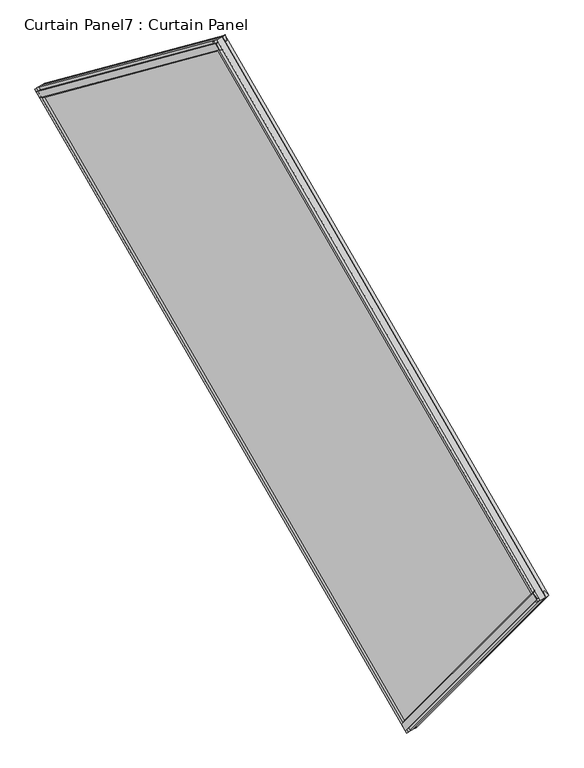
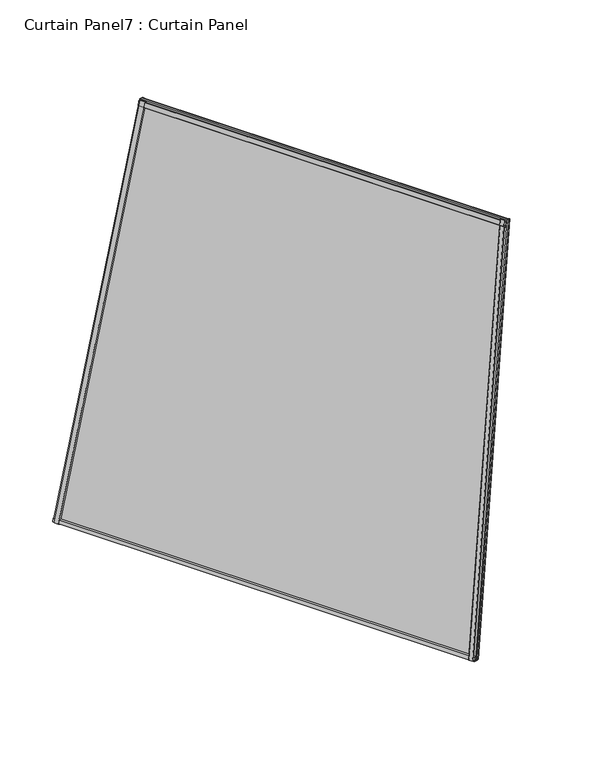
"""IFC4 building model written with IfcOpenShell, lengths in millimetres: plate geometry, Curtain Panel7 : Curtain Panel."""

import ifcopenshell
import ifcopenshell.guid

model = None  # the IFC model being written
_history = None  # IfcOwnerHistory: only IFC2X3 demands one
_inside = {}  # id of a spatial element -> (the spatial element, [elements in it])
_under = {}  # id of a project, library or spatial element -> (it, [spatial elements below it])
_declared = {}  # id of a project -> (the project, [libraries it declares])
_typed = {}  # id of a type object -> (the type object, [elements of that type])
_made_of = {}  # id of a material, layer set ... -> (it, [elements and type objects made of it])


def new_model(schema):
    """Start an empty IFC model of exactly this schema.

    Asked for "IFC4X3", IfcOpenShell would pick the latest addendum, in which some entities
    have other attributes; the version numbers below select the first issue.
    IFC2X3 requires an IfcOwnerHistory on every rooted entity: one is made here for all.
    """
    global model, _history
    if schema == "IFC4X3":
        model = ifcopenshell.file(schema_version=(4, 3, 0, 0))
    else:
        model = ifcopenshell.file(schema=schema)
    _inside.clear()
    _under.clear()
    _declared.clear()
    _typed.clear()
    _made_of.clear()
    _history = None
    if model.schema == "IFC2X3":
        org = make("IfcOrganization", Name="unknown")
        user = make(
            "IfcPersonAndOrganization",
            ThePerson=make("IfcPerson", FamilyName="unknown"),
            TheOrganization=org,
        )
        app = make(
            "IfcApplication",
            ApplicationDeveloper=org,
            Version="unknown",
            ApplicationFullName="unknown",
            ApplicationIdentifier="unknown",
        )
        _history = make(
            "IfcOwnerHistory",
            OwningUser=user,
            OwningApplication=app,
            ChangeAction="ADDED",
            CreationDate=0,
        )
    return model


def make(cls, **values):
    """One entity of the class cls with the attributes given. An attribute that is None is left unset."""
    return model.create_entity(
        cls, **{name: value for name, value in values.items() if value is not None}
    )


def rooted(cls, **values):
    """An entity with a GlobalId (a new one), such as an element, a storey or a relation."""
    return make(cls, GlobalId=ifcopenshell.guid.new(), OwnerHistory=_history, **values)


def si_unit(unit_type, name, prefix=None):
    """IfcSIUnit, for example si_unit("LENGTHUNIT", "METRE", prefix="MILLI")."""
    return make("IfcSIUnit", UnitType=unit_type, Prefix=prefix, Name=name)


def assignment(units):
    """IfcUnitAssignment: the units of a project."""
    return None if units is None else make("IfcUnitAssignment", Units=units)


def point(xyz):
    """IfcCartesianPoint."""
    return None if xyz is None else make("IfcCartesianPoint", Coordinates=xyz)


def direction(xyz):
    """IfcDirection."""
    return None if xyz is None else make("IfcDirection", DirectionRatios=xyz)


def frame(location, z_axis=None, x_axis=None):
    """IfcAxis2Placement3D, a coordinate frame: its origin and axes. An axis left out is left unset."""
    return make(
        "IfcAxis2Placement3D",
        Location=point(location),
        Axis=direction(z_axis),
        RefDirection=direction(x_axis),
    )


def origin():
    """The frame at (0, 0, 0) with its axes left unset."""
    return frame((0.0, 0.0, 0.0))


def place(relative_to, where):
    """IfcLocalPlacement: puts the frame where relative to a parent placement (None: the world)."""
    return make(
        "IfcLocalPlacement", PlacementRelTo=relative_to, RelativePlacement=where
    )


def context(
    kind, dimensions, precision=None, world=None, true_north=None, identifier=None
):
    """IfcGeometricRepresentationContext, for example the 3D "Model" context."""
    return make(
        "IfcGeometricRepresentationContext",
        ContextIdentifier=identifier,
        ContextType=kind,
        CoordinateSpaceDimension=dimensions,
        Precision=precision,
        WorldCoordinateSystem=world,
        TrueNorth=true_north,
    )


def project(units=None, contexts=None):
    """IfcProject with its units and contexts."""
    return rooted(
        "IfcProject",
        Name="project",
        RepresentationContexts=contexts,
        UnitsInContext=assignment(units),
    )


def spatial(cls, under=None, at=None, **own):
    """A site, building, storey or space (cls), placed at a placement, below another one or the project."""
    s = rooted(cls, ObjectPlacement=at, **own)
    if under is not None:
        _under.setdefault(under.id(), (under, []))[1].append(s)
    return s


def polyline(points):
    """IfcPolyline through the points."""
    return make("IfcPolyline", Points=[point(p) for p in points])


def outline(outer, holes=None, kind="AREA"):
    """IfcArbitraryClosedProfileDef: a profile drawn as a closed curve; with holes, ...WithVoids."""
    if holes is None:
        return make("IfcArbitraryClosedProfileDef", ProfileType=kind, OuterCurve=outer)
    return make(
        "IfcArbitraryProfileDefWithVoids",
        ProfileType=kind,
        OuterCurve=outer,
        InnerCurves=holes,
    )


def extrude(swept, where, along, depth):
    """IfcExtrudedAreaSolid: the profile swept, set in the frame where, extruded along a direction by depth."""
    return make(
        "IfcExtrudedAreaSolid",
        SweptArea=swept,
        Position=where,
        ExtrudedDirection=direction(along),
        Depth=depth,
    )


def shape(context_of_items, identifier, shape_type, items):
    """IfcShapeRepresentation: the items that make up one representation, for example the "Body"."""
    return make(
        "IfcShapeRepresentation",
        ContextOfItems=context_of_items,
        RepresentationIdentifier=identifier,
        RepresentationType=shape_type,
        Items=items,
    )


def source(mapping_origin, context_of_items, identifier, shape_type, items):
    """IfcRepresentationMap: a shape defined once, which mapped items show again and again."""
    return make(
        "IfcRepresentationMap",
        MappingOrigin=mapping_origin,
        MappedRepresentation=shape(context_of_items, identifier, shape_type, items),
    )


def transform(
    local_origin,
    x_axis=None,
    y_axis=None,
    z_axis=None,
    scale=None,
    scale2=None,
    scale3=None,
    uniform=True,
):
    """IfcCartesianTransformationOperator3D, or its non-uniform kind. x_axis, y_axis, z_axis: its Axis1, 2, 3."""
    if uniform:
        return make(
            "IfcCartesianTransformationOperator3D",
            Axis1=direction(x_axis),
            Axis2=direction(y_axis),
            LocalOrigin=point(local_origin),
            Scale=scale,
            Axis3=direction(z_axis),
        )
    return make(
        "IfcCartesianTransformationOperator3DnonUniform",
        Axis1=direction(x_axis),
        Axis2=direction(y_axis),
        LocalOrigin=point(local_origin),
        Scale=scale,
        Axis3=direction(z_axis),
        Scale2=scale2,
        Scale3=scale3,
    )


def mapped(mapping_source, mapping_target):
    """IfcMappedItem: shows the shape of a source again, moved by a transform."""
    return make(
        "IfcMappedItem", MappingSource=mapping_source, MappingTarget=mapping_target
    )


def made_of(thing, what):
    """Note that an element or type object is made of a material, layer set ...; save() writes the relation."""
    if what is not None:
        _made_of.setdefault(what.id(), (what, []))[1].append(thing)
    return thing


def element(
    cls,
    number,
    at=None,
    inside=None,
    cuts=None,
    type_object=None,
    material=None,
    context=None,
    identifier="Body",
    shape_type=None,
    held_by="IfcProductDefinitionShape",
    body=None,
    shapes=None,
    **own,
):
    """One element of the class cls, such as IfcWall. Its Tag is "e" and its number.

    at: its placement. inside: the storey or other place that contains it. cuts: it is an
    opening in that element (IfcRelVoidsElement). A single representation is given by context,
    identifier, shape_type and body (its items); several are given by shapes. held_by: the class
    of the entity that holds the representations. save() writes the other relations.
    """
    e = rooted(cls, Tag="e%d" % number, ObjectPlacement=at, **own)
    if body is not None:
        shapes = [shape(context, identifier, shape_type, body)]
    if shapes is not None:
        e.Representation = make(held_by, Representations=shapes)
    if inside is not None:
        _inside.setdefault(inside.id(), (inside, []))[1].append(e)
    if cuts is not None:
        rooted(
            "IfcRelVoidsElement", RelatingBuildingElement=cuts, RelatedOpeningElement=e
        )
    if type_object is not None:
        _typed.setdefault(type_object.id(), (type_object, []))[1].append(e)
    return made_of(e, material)


def aggregate(whole, parts):
    """IfcRelAggregates: a whole, such as a stair, and the parts it consists of."""
    return rooted("IfcRelAggregates", RelatingObject=whole, RelatedObjects=parts)


def save(model, path):
    """Write the relations noted so far, then the file.

    IfcRelAggregates (storeys below a building ...), IfcRelContainedInSpatialStructure (elements
    in a storey), IfcRelDefinesByType, IfcRelAssociatesMaterial and IfcRelDeclares: one each for
    every whole, place, type object, material and project.
    """
    for whole, parts in _under.values():
        aggregate(whole, parts)
    for where, things in _inside.values():
        rooted(
            "IfcRelContainedInSpatialStructure",
            RelatedElements=things,
            RelatingStructure=where,
        )
    for kind, things in _typed.values():
        rooted("IfcRelDefinesByType", RelatedObjects=things, RelatingType=kind)
    for what, things in _made_of.values():
        rooted("IfcRelAssociatesMaterial", RelatedObjects=things, RelatingMaterial=what)
    for by, libraries in _declared.values():
        rooted("IfcRelDeclares", RelatingContext=by, RelatedDefinitions=libraries)
    model.write(path)


def curtain_panel7_curtain_panel_a01c3db3(model_context):
    return source(origin(), model_context, "Body", "SweptSolid", [
        extrude(outline(polyline([(22.279479, -5.8689468), (22.2882717, -20.9890896), (17.5121094, -24.0709891), (17.5015261, -5.8717254), (22.279479, -5.8689468)])), frame((-14352.9194694, -15833.5471627, 980.3279056), z_axis=(0.1830127018922194, 0.18301270189221647, 0.9659258262890689), x_axis=(-0.8383994929501009, -0.4840501729431908, 0.2505628070857304)), (0.0, 0.0, 1.0), 1495.755929),
        extrude(outline(polyline([(-1.6371094, 0.0), (4.7128906, 0.0), (4.7128906, -11.4749739), (-0.0826892, -12.7161612), (-3.2648368, -0.4212869), (-1.6371094, 0.0)])), frame((-14352.9194694, -15833.5471627, 980.3279056), z_axis=(0.1830127018922194, 0.18301270189221647, 0.9659258262890689), x_axis=(-0.8383994929501009, -0.4840501729431908, 0.2505628070857304)), (0.0, 0.0, 1.0), 1495.755929),
        extrude(outline(polyline([(22.2794791, 5.8689468), (17.5015261, 5.8717252), (17.5121094, 24.070989), (22.2882718, 20.9890896), (22.2794791, 5.8689468)])), frame((-15125.289375, -14495.7632439, 980.3279056), z_axis=(0.2499999999999974, 0.06698729810778337, 0.9659258262890689), x_axis=(-0.8383994929501009, -0.48405017294319075, 0.25056280708573037)), (0.0, 0.0, 1.0), 1495.7559289),
        extrude(outline(polyline([(-1.6371093, -1e-07), (-3.2648369, 0.4212868), (-0.0826891, 12.7161612), (4.7128907, 11.4749739), (4.7128906, 0.0), (-1.6371093, -1e-07)])), frame((-15125.289375, -14495.7632439, 980.3279056), z_axis=(0.2499999999999974, 0.06698729810778337, 0.9659258262890689), x_axis=(-0.8383994929501009, -0.48405017294319075, 0.25056280708573037)), (0.0, 0.0, 1.0), 1495.7559289),
        extrude(outline(polyline([(4.7128907, 0.0), (-0.0992187, 0.0), (-0.0992187, 10.3383034), (4.7128907, 11.5612583), (4.7128907, 0.0)])), frame((-14352.8970625, -15833.5110447, 980.472655), z_axis=(-0.5000000000000037, 0.8660254037844366, 0.0), x_axis=(-0.8383994929501009, -0.48405017294319075, 0.2505628070857304)), (0.0, 0.0, 1.0), 1544.6996588),
        extrude(outline(polyline([(17.5121094, 16.9465983), (22.3807368, 12.4442107), (22.3807369, -1e-07), (17.5121094, 0.0), (17.5121094, 16.9465983)])), frame((-14352.8970625, -15833.5110447, 980.472655), z_axis=(-0.5000000000000037, 0.8660254037844366, 0.0), x_axis=(-0.8383994929501009, -0.48405017294319075, 0.2505628070857304)), (0.0, 0.0, 1.0), 1544.6996588),
        extrude(outline(polyline([(4.7157599, 0.0573227), (4.7157599, -13.812199), (-0.2289001, -12.7323785), (-3.0132113, -1.9636556), (4.7157599, 0.0573227)])), frame((-14079.1547373, -15559.7686958, 2425.2619365), z_axis=(-0.5000000000000034, 0.8660254037844367, 0.0), x_axis=(-0.8383994929501009, -0.48405017294319075, 0.2505628070857304)), (0.0, 0.0, 1.0), 1344.3063276),
        extrude(outline(polyline([(22.169205, -22.0281839), (17.5149786, -24.3000955), (17.5149787, -4.1001197), (22.315587, -5.3658128), (22.169205, -22.0281839)])), frame((-14079.1547373, -15559.7686958, 2425.2619365), z_axis=(-0.5000000000000034, 0.8660254037844367, 0.0), x_axis=(-0.8383994929501009, -0.48405017294319075, 0.2505628070857304)), (0.0, 0.0, 1.0), 1344.3063276),
        extrude(outline(polyline([(-69.2031684, 1e-07), (-172.6797697, -1541.2500286), (-1655.0118931, -1341.3068497), (-1564.9590972, 1e-07), (-69.2031684, 1e-07)])), frame((-14369.5083879, -15848.4660715, 914.8084025), z_axis=(-0.838399492950101, -0.48405017294319075, 0.2505628070857305), x_axis=(-0.18301270189221727, -0.18301270189222005, -0.9659258262890685)), (0.0, 0.0, 1.0), 12.7992187),
    ])


if __name__ == "__main__":
    model = new_model("IFC4")
    model_context = context("Model", 3, world=origin())
    ifc_project = project(units=[si_unit("LENGTHUNIT", "METRE", prefix="MILLI")], contexts=[model_context])
    site = spatial("IfcSite", under=ifc_project)
    building = spatial("IfcBuilding", under=site)
    placement = place(None, origin())
    curtain_panel7_curtain_panel_shape = curtain_panel7_curtain_panel_a01c3db3(model_context)
    element("IfcPlate", 1, ObjectType="Curtain Panel7 : Curtain Panel", at=placement, inside=building, context=model_context, shape_type="MappedRepresentation", body=[
        mapped(curtain_panel7_curtain_panel_shape, transform((0.0, 0.0, 0.0), x_axis=(1.0, 0.0, 0.0), y_axis=(0.0, 1.0, 0.0), z_axis=(0.0, 0.0, 1.0))),
    ])
    save(model, "model.ifc")
